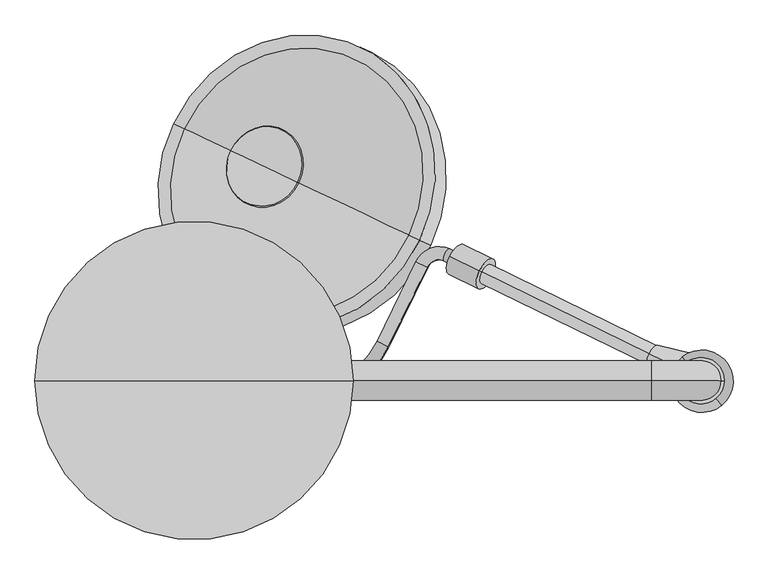
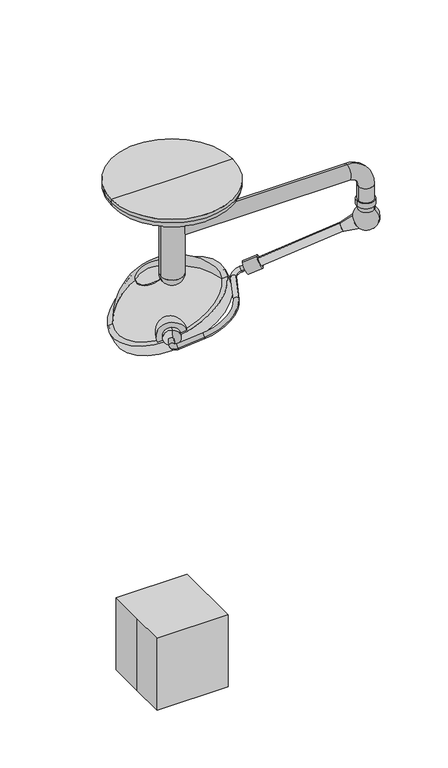
"""IFC4 building model written with IfcOpenShell, lengths in millimetres: proxy geometry."""

from ifc_helpers import new_model, si_unit, point, frame, frame_2d, origin, origin_with_axes, origin_2d, place, context, project, spatial, polyline, circle_curve, ellipse_curve, trimmed, segment, composite_curve, outline, extrude, source, transform, mapped, element, save
from ifc_brep_helpers import plane_surface, cylinder_surface, revolved_surface, advanced_brep


def specialty_equipment_7830e23b(model_context):
    return source(origin(), model_context, "Body", "SolidModel", [
        advanced_brep(
        [(51.3241797, 120.6178384, 1699.7604265), (72.1798458, 110.4458503, 1710.0915373), (30.6483179, 78.2260395, 1699.7604265), (51.503984, 68.0540515, 1710.0915373), (56.3645035, 51.553373, 1715.2570926), (45.2298764, 28.7240043, 1715.2570926), (148.7448243, -21.7636092, 1766.5344952), (159.8794514, 1.0657596, 1766.5344952), (351.8212111, 77.010044, 1828.5211596), (372.6768772, 66.838056, 1838.8522704), (446.9378356, 219.0955842, 1838.8522704), (426.0821694, 229.2675722, 1828.5211596), (490.062756, 254.5823337, 1849.1833811), (478.9281288, 231.7529649, 1849.1833811), (557.8921303, 193.2396481, 1888.2991704), (569.0267574, 216.0690168, 1888.2991704)],
        [
            (0, 1, circle_curve(frame((61.7520127, 115.5318443, 1704.9259819), z_axis=(0.43837114678909284, 0.8987940462991596, 0.0), x_axis=(0.8210892183528105, -0.40047196991075396, 0.40673664307580043)), 12.7)),
            (1, 0, circle_curve(frame((61.7520127, 115.5318443, 1704.9259819), z_axis=(0.43837114678909284, 0.8987940462991596, 0.0), x_axis=(0.8210892183528105, -0.40047196991075396, 0.40673664307580043)), 12.7)),
            (0, 2),
            (2, 3, circle_curve(frame((41.0761509, 73.1400455, 1704.9259819), z_axis=(0.43837114678909284, 0.8987940462991596, 0.0), x_axis=(0.8210892183528105, -0.40047196991075396, 0.40673664307580043)), 12.7)),
            (3, 1),
            (3, 2, circle_curve(frame((41.0761509, 73.1400455, 1704.9259819), z_axis=(0.43837114678909284, 0.8987940462991596, 0.0), x_axis=(0.8210892183528105, -0.40047196991075396, 0.40673664307580043)), 12.7)),
            (4, 3, circle_curve(frame((61.9318171, 62.9680574, 1715.2570926), z_axis=(0.36557247320823616, -0.17830160866628347, -0.9135454576426008), x_axis=(-0.8210892183528103, 0.4004719699107543, -0.40673664307580043)), 12.7)),
            (2, 5, circle_curve(frame((61.9318171, 62.9680574, 1715.2570926), z_axis=(-0.36557247320823616, 0.17830160866628347, 0.9135454576426008), x_axis=(-0.8210892183528103, 0.4004719699107543, -0.40673664307580043)), 38.1)),
            (5, 4, circle_curve(frame((50.79719, 40.1386887, 1715.2570926), z_axis=(-0.8210892183528137, 0.40047196991074746, -0.40673664307580054), x_axis=(0.4383711467890869, 0.8987940462991626, 0.0)), 12.7)),
            (4, 5, circle_curve(frame((50.79719, 40.1386887, 1715.2570926), z_axis=(-0.8210892183528152, 0.40047196991074424, -0.40673664307580054), x_axis=(0.438371146789084, 0.898794046299164, 0.0)), 12.7)),
            (5, 6),
            (6, 7, circle_curve(frame((154.3121378, -10.3489248, 1766.5344952), z_axis=(-0.8210892183528105, 0.40047196991075346, -0.4067366430758006), x_axis=(0.4383711467890924, 0.8987940462991598, 0.0)), 12.7)),
            (7, 4),
            (7, 6, circle_curve(frame((154.3121378, -10.3489248, 1766.5344952), z_axis=(-0.8210892183528105, 0.40047196991075346, -0.4067366430758006), x_axis=(0.4383711467890924, 0.8987940462991598, 0.0)), 12.7)),
            (8, 7, circle_curve(frame((226.6872142, 138.0419722, 1766.5344952), z_axis=(0.36557247320823616, -0.17830160866628347, -0.9135454576426008), x_axis=(-0.43837114678909817, -0.8987940462991569, 0.0)), 152.4)),
            (6, 9, circle_curve(frame((226.6872142, 138.0419722, 1766.5344952), z_axis=(-0.36557247320823616, 0.17830160866628347, 0.9135454576426008), x_axis=(-0.43837114678909817, -0.8987940462991569, 0.0)), 177.8)),
            (9, 8, circle_curve(frame((362.2490441, 71.92405, 1833.686715), z_axis=(-0.43837114678909, -0.8987940462991608, 0.0), x_axis=(-0.8210892183528122, 0.4004719699107512, -0.40673664307580026)), 12.7)),
            (8, 9, circle_curve(frame((362.2490441, 71.92405, 1833.686715), z_axis=(-0.43837114678908945, -0.8987940462991612, 0.0), x_axis=(-0.8210892183528125, 0.40047196991075057, -0.40673664307580026)), 12.7)),
            (9, 10),
            (10, 11, circle_curve(frame((436.5100025, 224.1815782, 1833.686715), z_axis=(-0.43837114678909106, -0.8987940462991605, 0.0), x_axis=(-0.8210892183528116, 0.40047196991075223, -0.40673664307580026)), 12.7)),
            (11, 8),
            (11, 10, circle_curve(frame((436.5100025, 224.1815782, 1833.686715), z_axis=(-0.43837114678909106, -0.8987940462991605, 0.0), x_axis=(-0.8210892183528116, 0.40047196991075223, -0.40673664307580026)), 12.7)),
            (12, 11, circle_curve(frame((467.7935017, 208.9235961, 1849.1833811), z_axis=(-0.36557247320823616, 0.17830160866628347, 0.9135454576426008), x_axis=(-0.8210892183528137, 0.4004719699107476, -0.40673664307580043)), 50.8)),
            (10, 13, circle_curve(frame((467.7935017, 208.9235961, 1849.1833811), z_axis=(0.36557247320823616, -0.17830160866628347, -0.9135454576426008), x_axis=(-0.8210892183528137, 0.4004719699107476, -0.40673664307580043)), 25.4)),
            (13, 12, circle_curve(frame((484.4954424, 243.1676493, 1849.1833811), z_axis=(-0.8210892183528231, 0.40047196991072803, -0.40673664307580065), x_axis=(0.43837114678906913, 0.8987940462991714, 0.0)), 12.7)),
            (12, 13, circle_curve(frame((484.4954424, 243.1676493, 1849.1833811), z_axis=(-0.8210892183528161, 0.4004719699107424, -0.40673664307580065), x_axis=(0.43837114678908223, 0.898794046299165, 0.0)), 12.7)),
            (14, 15, circle_curve(frame((563.4594439, 204.6543325, 1888.2991704), z_axis=(0.8210892183528122, -0.40047196991075074, 0.40673664307580026), x_axis=(0.4383711467890896, 0.898794046299161, 0.0)), 12.7)),
            (15, 14, circle_curve(frame((563.4594439, 204.6543325, 1888.2991704), z_axis=(0.8210892183528122, -0.40047196991075074, 0.40673664307580026), x_axis=(0.4383711467890896, 0.898794046299161, 0.0)), 12.7)),
            (13, 14),
            (15, 12),
        ],
        [
            plane_surface(frame((671.2712366, -181.7505445, 181.7710423), z_axis=(0.438371146789093, 0.8987940462991597, 0.0), x_axis=(-0.36557247320823616, 0.1783016086662836, 0.9135454576426009))),
            cylinder_surface(frame((61.7520127, 115.5318443, 1704.9259819), z_axis=(0.43837114678909284, 0.8987940462991596, 0.0), x_axis=(0.8210892183528105, -0.40047196991075396, 0.40673664307580043)), 12.7),
            revolved_surface(trimmed(ellipse_curve(frame((41.0761509, 73.1400455, 1704.9259819), z_axis=(0.4383711467890927, 0.8987940462991598, 0.0), x_axis=(0.8210892183528106, -0.4004719699107538, 0.40673664307580043)), 12.7, 12.7), [point((30.6483179, 78.2260395, 1699.7604265))], [point((51.503984, 68.0540515, 1710.0915373))], True, "CARTESIAN"), (671.451041, -234.3143314, 192.1021531), (-0.3655724732082362, 0.1783016086662835, 0.913545457642601)),
            revolved_surface(trimmed(ellipse_curve(frame((41.0761509, 73.1400455, 1704.9259819), z_axis=(0.4383711467890927, 0.8987940462991598, 0.0), x_axis=(0.8210892183528106, -0.4004719699107538, 0.40673664307580043)), 12.7, 12.7), [point((51.503984, 68.0540515, 1710.0915373))], [point((30.6483179, 78.2260395, 1699.7604265))], True, "CARTESIAN"), (671.451041, -234.3143314, 192.1021531), (-0.3655724732082362, 0.1783016086662835, 0.913545457642601)),
            cylinder_surface(frame((50.79719, 40.1386887, 1715.2570926), z_axis=(-0.8210892183528107, 0.40047196991075357, -0.4067366430758007), x_axis=(0.4383711467890924, 0.8987940462991598, 0.0)), 12.7),
            revolved_surface(trimmed(ellipse_curve(frame((154.3121378, -10.3489248, 1766.5344952), z_axis=(-0.8210892183528079, 0.4004719699107594, -0.40673664307580076), x_axis=(0.4383711467890976, 0.8987940462991572, 0.0)), 12.7, 12.7), [point((148.7448243, -21.7636092, 1766.5344952))], [point((159.8794514, 1.0657596, 1766.5344952))], True, "CARTESIAN"), (836.2064381, -159.2404166, 243.3795556), (-0.3655724732082362, 0.1783016086662835, 0.913545457642601)),
            revolved_surface(trimmed(ellipse_curve(frame((154.3121378, -10.3489248, 1766.5344952), z_axis=(-0.8210892183528079, 0.4004719699107594, -0.40673664307580076), x_axis=(0.4383711467890976, 0.8987940462991572, 0.0)), 12.7, 12.7), [point((159.8794514, 1.0657596, 1766.5344952))], [point((148.7448243, -21.7636092, 1766.5344952))], True, "CARTESIAN"), (836.2064381, -159.2404166, 243.3795556), (-0.3655724732082362, 0.1783016086662835, 0.913545457642601)),
            cylinder_surface(frame((362.2490441, 71.92405, 1833.686715), z_axis=(-0.43837114678909106, -0.8987940462991605, 0.0), x_axis=(-0.8210892183528116, 0.40047196991075223, -0.40673664307580026)), 12.7),
            revolved_surface(trimmed(ellipse_curve(frame((436.5100025, 224.1815782, 1833.686715), z_axis=(-0.4383711467890867, -0.8987940462991628, 0.0), x_axis=(-0.8210892183528139, 0.40047196991074735, -0.40673664307580015)), 12.7, 12.7), [point((446.9378356, 219.0955842, 1838.8522704))], [point((426.0821694, 229.2675722, 1828.5211596))], True, "CARTESIAN"), (1077.3127256, -88.3587927, 326.0284415), (0.3655724732082362, -0.1783016086662835, -0.913545457642601)),
            revolved_surface(trimmed(ellipse_curve(frame((436.5100025, 224.1815782, 1833.686715), z_axis=(-0.4383711467890867, -0.8987940462991628, 0.0), x_axis=(-0.8210892183528139, 0.40047196991074735, -0.40673664307580015)), 12.7, 12.7), [point((426.0821694, 229.2675722, 1828.5211596))], [point((446.9378356, 219.0955842, 1838.8522704))], True, "CARTESIAN"), (1077.3127256, -88.3587927, 326.0284415), (0.3655724732082362, -0.1783016086662835, -0.913545457642601)),
            plane_surface(frame((1172.9786678, -92.6280564, 365.1442308), z_axis=(0.8210892183528121, -0.40047196991075107, 0.4067366430758), x_axis=(-0.36557247320823577, 0.17830160866628336, 0.9135454576426011))),
            cylinder_surface(frame((484.4954424, 243.1676493, 1849.1833811), z_axis=(-0.821089218352812, 0.4004719699107506, -0.40673664307580015), x_axis=(0.4383711467890896, 0.898794046299161, 0.0)), 12.7),
        ],
        [
            (0, [[1, 2]]),
            (1, [[-1, 3, 4, 5]]),
            (1, [[-2, -5, 6, -3]]),
            (2, [[7, -4, 8, 9]]),
            (3, [[-8, -6, -7, 10]]),
            (4, [[-9, 11, 12, 13]]),
            (4, [[-10, -13, 14, -11]]),
            (5, [[15, -12, 16, 17]]),
            (6, [[-16, -14, -15, 18]]),
            (7, [[-17, 19, 20, 21]]),
            (7, [[-18, -21, 22, -19]]),
            (8, [[23, -20, 24, 25]]),
            (9, [[-24, -22, -23, 26]]),
            (10, [[27, 28]]),
            (11, [[-25, 29, -28, 30]]),
            (11, [[-26, -30, -27, -29]]),
        ],
    ),
        advanced_brep(
        [(70.9853036, 124.77035, 1662.093259), (70.9853036, 124.77035, 1743.3108067), (79.9012214, 143.6005545, 1743.3108067), (79.9012214, 143.6005545, 1662.093259), (59.9841849, 101.536251, 1702.7020328), (79.9012214, 143.6005545, 1702.7020328)],
        [
            (0, 1, circle_curve(frame((70.9853036, 124.77035, 1702.7020328), z_axis=(0.4279431442574093, 0.903805656810734, 0.0), x_axis=(0.0, 0.0, 1.0)), 40.6087738)),
            (1, 2),
            (2, 3, circle_curve(frame((79.9012214, 143.6005545, 1702.7020328), z_axis=(-0.4279431442574093, -0.903805656810734, 0.0), x_axis=(0.0, 0.0, 1.0)), 40.6087738)),
            (3, 0),
            (1, 0, circle_curve(frame((70.9853036, 124.77035, 1702.7020328), z_axis=(0.4279431442574093, 0.903805656810734, 0.0), x_axis=(0.0, 0.0, 1.0)), 40.6087738)),
            (3, 2, circle_curve(frame((79.9012214, 143.6005545, 1702.7020328), z_axis=(-0.4279431442574093, -0.903805656810734, 0.0), x_axis=(0.0, 0.0, 1.0)), 40.6087738)),
            (4, 1, circle_curve(frame((83.4268503, 151.0465982, 1696.4653606), z_axis=(-0.9038056568107339, 0.42794314425740954, 0.0), x_axis=(0.4279431442574097, 0.9038056568107338, 0.0)), 55.1337385)),
            (0, 4, circle_curve(frame((83.4268503, 151.0465982, 1708.9387051), z_axis=(-0.9038056568107343, 0.42794314425740876, 0.0), x_axis=(0.4279431442574089, 0.9038056568107342, 0.0)), 55.1337385)),
            (2, 5),
            (5, 3),
        ],
        [
            cylinder_surface(frame((79.9012214, 143.6005545, 1702.7020328), z_axis=(-0.4279431442574093, -0.903805656810734, 0.0), x_axis=(0.0, 0.0, 1.0)), 40.6087738),
            revolved_surface(trimmed(ellipse_curve(frame((83.4268503, 151.0465982, 1696.4653606), z_axis=(0.9038056568107339, -0.42794314425740954, 0.0), x_axis=(0.4279431442574097, 0.9038056568107338, 0.0)), 55.1337385, 55.1337385), [point((70.9853036, 124.77035, 1743.3108067))], [point((59.9841849, 101.536251, 1702.7020328))], True, "CARTESIAN"), (79.9012214, 143.6005545, 1702.7020328), (-0.4279431442574093, -0.903805656810734, 0.0)),
            revolved_surface(trimmed(ellipse_curve(frame((83.4268503, 151.0465982, 1696.4653606), z_axis=(0.9038056568107339, -0.4279431442574097, 0.0), x_axis=(0.42794314425740987, 0.9038056568107338, 0.0)), 55.1337385, 55.1337385), [point((70.9853036, 124.77035, 1743.3108067))], [point((59.9841849, 101.536251, 1702.7020328))], True, "CARTESIAN"), (79.9012214, 143.6005545, 1702.7020328), (-0.4279431442574093, -0.903805656810734, 0.0)),
            plane_surface(frame((79.9012214, 143.6005545, 1702.7020328), z_axis=(0.42794314425740915, 0.9038056568107341, 0.0), x_axis=(0.0, 0.0, 1.0))),
        ],
        [
            (0, [[1, 2, 3, 4]]),
            (0, [[5, -4, 6, -2]]),
            (1, [[7, -1, 8]]),
            (2, [[-8, -5, -7]]),
            (3, [[-3, 9, 10]]),
            (3, [[-6, -10, -9]]),
        ],
    ),
        advanced_brep(
        [(198.2891405, 382.6305938, 1882.6946884), (70.3964825, 443.1865173, 1819.6927814), (123.8504881, 417.8765681, 1877.268084), (200.9060117, 381.3915308, 1880.0876662), (70.3964825, 443.1865173, 1815.7966478), (129.8474904, 415.0370461, 1862.3650044)],
        [
            (0, 1, circle_curve(frame((134.3428115, 412.9085555, 1851.1937349), z_axis=(-0.367610878844116, 0.17406015792256127, 0.9135454576426013), x_axis=(-0.825667552371134, 0.3909455155656486, -0.4067366430757995)), 77.4480344)),
            (1, 2, circle_curve(frame((222.0261973, 371.3913294, 1706.5205002), z_axis=(0.42794314425740937, 0.903805656810734, 0.0), x_axis=(0.903805656810734, -0.4279431442574095, 0.0)), 202.3711557)),
            (2, 0, circle_curve(frame((172.8421817, 394.67948, 1682.2916913), z_axis=(0.4279431442574066, 0.9038056568107353, 0.0), x_axis=(-0.6047640271723351, 0.28634985560407467, -0.7431448254773929)), 202.3711557)),
            (1, 0, circle_curve(frame((134.3428115, 412.9085555, 1851.1937349), z_axis=(-0.367610878844116, 0.17406015792256127, 0.9135454576426013), x_axis=(-0.825667552371134, 0.3909455155656486, -0.4067366430757995)), 77.4480344)),
            (3, 4, circle_curve(frame((135.6512471, 412.289024, 1847.942157), z_axis=(-0.367610878844116, 0.17406015792256127, 0.9135454576426013), x_axis=(-0.825667552371134, 0.3909455155656486, -0.4067366430757995)), 79.0327347)),
            (4, 1),
            (0, 3),
            (4, 3, circle_curve(frame((135.6512471, 412.289024, 1847.942157), z_axis=(-0.367610878844116, 0.17406015792256127, 0.9135454576426013), x_axis=(-0.825667552371134, 0.3909455155656486, -0.4067366430757995)), 79.0327347)),
            (5, 4, circle_curve(frame((246.9439851, 359.5930004, 1609.6195886), z_axis=(-0.42794314425740937, -0.903805656810734, 0.0), x_axis=(0.903805656810734, -0.4279431442574095, 0.0)), 284.0173877)),
            (3, 5, circle_curve(frame((221.2532479, 371.7573133, 1596.9639329), z_axis=(-0.4279431442574066, -0.9038056568107353, 0.0), x_axis=(-0.6047640271723351, 0.28634985560407467, -0.7431448254773929)), 284.0173877)),
        ],
        [
            revolved_surface(trimmed(ellipse_curve(frame((222.0261973, 371.3913294, 1706.5205002), z_axis=(-0.42794314425740937, -0.903805656810734, 0.0), x_axis=(0.903805656810734, -0.4279431442574095, 0.0)), 202.3711557, 202.3711557), [point((123.8504881, 417.8765681, 1877.268084))], [point((70.3964825, 443.1865173, 1819.6927814))], True, "CARTESIAN"), (169.8512246, 396.095669, 1762.9521965), (0.367610878844116, -0.17406015792256127, -0.9135454576426013)),
            revolved_surface(trimmed(ellipse_curve(frame((222.0261973, 371.3913294, 1706.5205002), z_axis=(-0.42794314425740965, -0.9038056568107342, 0.0), x_axis=(0.903805656810734, -0.4279431442574096, 0.0)), 202.3711557, 202.3711557), [point((123.8504881, 417.8765681, 1877.268084))], [point((70.3964825, 443.1865173, 1819.6927814))], True, "CARTESIAN"), (169.8512246, 396.095669, 1762.9521965), (0.367610878844116, -0.17406015792256127, -0.9135454576426013)),
            revolved_surface(polyline([(70.3964825, 443.1865173, 1819.6927814), (70.3964825, 443.1865173, 1815.7966478)]), (169.8512246, 396.095669, 1762.9521965), (0.367610878844116, -0.17406015792256127, -0.9135454576426013)),
            revolved_surface(trimmed(ellipse_curve(frame((246.9439851, 359.5930004, 1609.6195886), z_axis=(0.42794314425740937, 0.903805656810734, 0.0), x_axis=(0.903805656810734, -0.4279431442574095, 0.0)), 284.0173877, 284.0173877), [point((70.3964825, 443.1865173, 1815.7966478))], [point((129.8474904, 415.0370461, 1862.3650044))], True, "CARTESIAN"), (169.8512246, 396.095669, 1762.9521965), (0.367610878844116, -0.17406015792256127, -0.9135454576426013)),
            revolved_surface(trimmed(ellipse_curve(frame((246.9439851, 359.5930004, 1609.6195886), z_axis=(0.42794314425740965, 0.9038056568107342, 0.0), x_axis=(0.903805656810734, -0.4279431442574096, 0.0)), 284.0173877, 284.0173877), [point((70.3964825, 443.1865173, 1815.7966478))], [point((129.8474904, 415.0370461, 1862.3650044))], True, "CARTESIAN"), (169.8512246, 396.095669, 1762.9521965), (0.367610878844116, -0.17406015792256127, -0.9135454576426013)),
        ],
        [
            (0, [[1, 2, 3]]),
            (1, [[4, -3, -2]]),
            (2, [[5, 6, -1, 7]]),
            (2, [[8, -7, -4, -6]]),
            (3, [[9, -5, 10]]),
            (4, [[-10, -8, -9]]),
        ],
    ),
        advanced_brep(
        [(266.4821549, 350.341868, 1522.8158117), (276.9681328, 345.37686, 1527.9813671), (255.996177, 355.3068761, 1517.6502563), (263.0629437, 351.9608311, 1507.6425198), (278.9613242, 344.4331033, 1515.4743086), (271.0121339, 348.1969672, 1511.5584142)],
        [
            (0, 1),
            (1, 2, circle_curve(frame((266.4821549, 350.341868, 1522.8158117), z_axis=(-0.3676108788441159, 0.1740601579225613, 0.9135454576426013), x_axis=(0.825667552371134, -0.3909455155656486, 0.40673664307579943)), 12.7)),
            (2, 0),
            (2, 1, circle_curve(frame((266.4821549, 350.341868, 1522.8158117), z_axis=(-0.3676108788441159, 0.1740601579225613, 0.9135454576426013), x_axis=(0.825667552371134, -0.3909455155656486, 0.40673664307579943)), 12.7)),
            (3, 4, circle_curve(frame((271.0121339, 348.1969672, 1511.5584142), z_axis=(0.3676108788441159, -0.1740601579225613, -0.9135454576426013), x_axis=(0.825667552371134, -0.3909455155656486, 0.40673664307579943)), 9.6275919)),
            (4, 5),
            (5, 3),
            (4, 3, circle_curve(frame((271.0121339, 348.1969672, 1511.5584142), z_axis=(0.3676108788441159, -0.1740601579225613, -0.9135454576426013), x_axis=(0.825667552371134, -0.3909455155656486, 0.40673664307579943)), 9.6275919)),
            (1, 4),
            (3, 2),
        ],
        [
            plane_surface(frame((266.4821549, 350.341868, 1522.8158117), z_axis=(-0.367610878844116, 0.17406015792256121, 0.9135454576426014), x_axis=(0.8256675523711339, -0.39094551556564855, 0.4067366430757994))),
            plane_surface(frame((271.0121339, 348.1969672, 1511.5584142), z_axis=(0.367610878844116, -0.17406015792256121, -0.9135454576426014), x_axis=(0.8256675523711339, -0.39094551556564855, 0.4067366430757994))),
            revolved_surface(polyline([(278.9613242, 344.4331033, 1515.4743086), (276.9681328, 345.37686, 1527.9813671)]), (229.1328896, 368.0263801, 1615.6320302), (-0.3676108788441159, 0.1740601579225613, 0.9135454576426013)),
        ],
        [
            (0, [[1, 2, 3]]),
            (0, [[-3, 4, -1]]),
            (1, [[5, 6, 7]]),
            (1, [[8, -7, -6]]),
            (2, [[-2, 9, -5, 10]]),
            (2, [[-4, -10, -8, -9]]),
        ],
    ),
        advanced_brep(
        [(229.1328896, 368.0263801, 1615.6320302), (244.8618565, 360.578868, 1623.3803632), (213.4039227, 375.4738921, 1607.8836971), (250.753188, 357.7893801, 1515.0674786), (282.2111217, 342.8943559, 1530.5641447), (266.4821549, 350.341868, 1522.8158117)],
        [
            (0, 1),
            (1, 2, circle_curve(frame((229.1328896, 368.0263801, 1615.6320302), z_axis=(-0.3676108788441159, 0.1740601579225613, 0.9135454576426013), x_axis=(0.825667552371134, -0.3909455155656486, 0.40673664307579943)), 19.05)),
            (2, 0),
            (2, 1, circle_curve(frame((229.1328896, 368.0263801, 1615.6320302), z_axis=(-0.3676108788441159, 0.1740601579225613, 0.9135454576426013), x_axis=(0.825667552371134, -0.3909455155656486, 0.40673664307579943)), 19.05)),
            (3, 4, circle_curve(frame((266.4821549, 350.341868, 1522.8158117), z_axis=(0.3676108788441159, -0.1740601579225613, -0.9135454576426013), x_axis=(0.825667552371134, -0.3909455155656486, 0.40673664307579943)), 19.05)),
            (4, 5),
            (5, 3),
            (4, 3, circle_curve(frame((266.4821549, 350.341868, 1522.8158117), z_axis=(0.3676108788441159, -0.1740601579225613, -0.9135454576426013), x_axis=(0.825667552371134, -0.3909455155656486, 0.40673664307579943)), 19.05)),
            (1, 4),
            (3, 2),
        ],
        [
            plane_surface(frame((229.1328896, 368.0263801, 1615.6320302), z_axis=(-0.367610878844116, 0.17406015792256121, 0.9135454576426014), x_axis=(0.8256675523711339, -0.39094551556564855, 0.4067366430757994))),
            plane_surface(frame((266.4821549, 350.341868, 1522.8158117), z_axis=(0.367610878844116, -0.17406015792256121, -0.9135454576426014), x_axis=(0.8256675523711339, -0.39094551556564855, 0.4067366430757994))),
            cylinder_surface(frame((229.1328896, 368.0263801, 1615.6320302), z_axis=(-0.3676108788441159, 0.1740601579225613, 0.9135454576426013), x_axis=(0.825667552371134, -0.3909455155656486, 0.40673664307579943)), 19.05),
        ],
        [
            (0, [[1, 2, 3]]),
            (0, [[-3, 4, -1]]),
            (1, [[5, 6, 7]]),
            (1, [[8, -7, -6]]),
            (2, [[-2, 9, -5, 10]]),
            (2, [[-4, -10, -8, -9]]),
        ],
    ),
        advanced_brep(
        [(222.1299023, 371.3422261, 1633.0350712), (258.830825, 353.9646979, 1651.1145149), (185.4289796, 388.7197542, 1614.9556274), (192.4319669, 385.4039082, 1597.5525864), (265.8338123, 350.6488519, 1633.711474), (229.1328896, 368.0263801, 1615.6320302)],
        [
            (0, 1),
            (1, 2, circle_curve(frame((222.1299023, 371.3422261, 1633.0350712), z_axis=(-0.36761087884411536, 0.17406015792256102, 0.9135454576426016), x_axis=(0.8256675523711342, -0.3909455155656487, 0.4067366430757988)), 44.45)),
            (2, 0),
            (2, 1, circle_curve(frame((222.1299023, 371.3422261, 1633.0350712), z_axis=(-0.36761087884411536, 0.17406015792256102, 0.9135454576426016), x_axis=(0.8256675523711342, -0.3909455155656487, 0.4067366430757988)), 44.45)),
            (3, 4, circle_curve(frame((229.1328896, 368.0263801, 1615.6320302), z_axis=(0.36761087884411536, -0.17406015792256102, -0.9135454576426016), x_axis=(0.8256675523711342, -0.3909455155656487, 0.4067366430757988)), 44.45)),
            (4, 5),
            (5, 3),
            (4, 3, circle_curve(frame((229.1328896, 368.0263801, 1615.6320302), z_axis=(0.36761087884411536, -0.17406015792256102, -0.9135454576426016), x_axis=(0.8256675523711342, -0.3909455155656487, 0.4067366430757988)), 44.45)),
            (1, 4),
            (3, 2),
        ],
        [
            plane_surface(frame((222.1299023, 371.3422261, 1633.0350712), z_axis=(-0.3676108788441154, 0.17406015792256094, 0.9135454576426016), x_axis=(0.8256675523711341, -0.39094551556564866, 0.40673664307579876))),
            plane_surface(frame((229.1328896, 368.0263801, 1615.6320302), z_axis=(0.3676108788441154, -0.17406015792256094, -0.9135454576426016), x_axis=(0.8256675523711341, -0.39094551556564866, 0.40673664307579876))),
            cylinder_surface(frame((222.1299023, 371.3422261, 1633.0350712), z_axis=(-0.36761087884411536, 0.17406015792256102, 0.9135454576426016), x_axis=(0.8256675523711342, -0.3909455155656487, 0.4067366430757988)), 44.45),
        ],
        [
            (0, [[1, 2, 3]]),
            (0, [[-3, 4, -1]]),
            (1, [[5, 6, 7]]),
            (1, [[8, -7, -6]]),
            (2, [[-2, 9, -5, 10]]),
            (2, [[-4, -10, -8, -9]]),
        ],
    ),
        advanced_brep(
        [(217.8648709, 373.3616768, 1643.6340505), (265.0517715, 351.0191406, 1666.8790497), (170.6779703, 395.704213, 1620.3890514), (179.2080332, 391.6653116, 1611.8910927), (265.0517715, 351.0191406, 1654.1790497), (222.1299023, 371.3422261, 1633.0350712)],
        [
            (0, 1),
            (1, 2, circle_curve(frame((217.8648709, 373.3616768, 1643.6340505), z_axis=(-0.36761087884411614, 0.1740601579225614, 0.9135454576426012), x_axis=(0.8256675523711339, -0.39094551556564855, 0.4067366430757997)), 57.15)),
            (2, 0),
            (2, 1, circle_curve(frame((217.8648709, 373.3616768, 1643.6340505), z_axis=(-0.36761087884411614, 0.1740601579225614, 0.9135454576426012), x_axis=(0.8256675523711339, -0.39094551556564855, 0.4067366430757997)), 57.15)),
            (3, 4, circle_curve(frame((222.1299023, 371.3422261, 1633.0350712), z_axis=(0.36761087884411614, -0.1740601579225614, -0.9135454576426012), x_axis=(0.8256675523711339, -0.39094551556564855, 0.4067366430757997)), 51.9844446)),
            (4, 5),
            (5, 3),
            (4, 3, circle_curve(frame((222.1299023, 371.3422261, 1633.0350712), z_axis=(0.36761087884411614, -0.1740601579225614, -0.9135454576426012), x_axis=(0.8256675523711339, -0.39094551556564855, 0.4067366430757997)), 51.9844446)),
            (1, 4),
            (3, 2),
        ],
        [
            plane_surface(frame((217.8648709, 373.3616768, 1643.6340505), z_axis=(-0.36761087884411625, 0.17406015792256133, 0.9135454576426013), x_axis=(0.8256675523711338, -0.3909455155656485, 0.40673664307579965))),
            plane_surface(frame((222.1299023, 371.3422261, 1633.0350712), z_axis=(0.36761087884411625, -0.17406015792256133, -0.9135454576426013), x_axis=(0.8256675523711338, -0.3909455155656485, 0.40673664307579965))),
            revolved_surface(polyline([(265.0517715, 351.0191406, 1654.1790497), (265.0517715, 351.0191406, 1666.8790497)]), (217.8648709, 373.3616768, 1643.6340505), (-0.36761087884411614, 0.1740601579225614, 0.9135454576426012)),
        ],
        [
            (0, [[1, 2, 3]]),
            (0, [[-3, 4, -1]]),
            (1, [[5, 6, 7]]),
            (1, [[8, -7, -6]]),
            (2, [[-2, 9, -5, 10]]),
            (2, [[-4, -10, -8, -9]]),
        ],
    ),
        extrude(outline(composite_curve([segment(trimmed(circle_curve(frame_2d((0.0, -69.9387006)), 69.9387006), [point((25.1937137, -4.6953207))], [point((-31.6273953, -132.3176211))], False, "CARTESIAN"), True, "CONTINUOUS"), segment(polyline([(-31.6273953, -132.3176211), (25.1937137, -4.6953207)]), True, "CONTINUOUS")], self_intersect=False)), frame((144.6400085, 112.9473716, 1699.0600142), z_axis=(0.42794314425740915, 0.9038056568107341, 0.0), x_axis=(0.0, 0.0, 1.0)), (0.0, 0.0, 1.0), 84.2600986),
        advanced_brep(
        [(411.8184564, 281.5265498, 1801.7370584), (-18.1066381, 485.0918798, 1589.9492884), (129.8408016, 415.0402132, 1862.3816266), (406.0906916, 284.2385905, 1798.9154726), (-12.3788733, 482.3798391, 1592.7708742), (132.17953, 413.9328482, 1856.5696802)],
        [
            (0, 1, circle_curve(frame((196.8559092, 383.3092148, 1695.8431734), z_axis=(-0.3676108788441161, 0.17406015792256135, 0.9135454576426013), x_axis=(-0.825667552371134, 0.3909455155656486, -0.4067366430757996)), 260.35)),
            (1, 2, circle_curve(frame((256.5953432, 355.0231767, 1592.718951), z_axis=(0.4279431442574095, 0.903805656810734, 0.0), x_axis=(0.9038056568107341, -0.4279431442574096, 0.0)), 303.9518334)),
            (2, 0, circle_curve(frame((226.1466857, 369.4403184, 1577.7194701), z_axis=(0.4279431442574066, 0.9038056568107353, 0.0), x_axis=(-0.6047640271723351, 0.2863498556040747, -0.7431448254773931)), 303.9518334)),
            (1, 0, circle_curve(frame((196.8559092, 383.3092148, 1695.8431734), z_axis=(-0.3676108788441161, 0.17406015792256135, 0.9135454576426013), x_axis=(-0.825667552371134, 0.3909455155656486, -0.4067366430757996)), 260.35)),
            (3, 4, circle_curve(frame((196.8559092, 383.3092148, 1695.8431734), z_axis=(-0.3676108788441161, 0.17406015792256135, 0.9135454576426013), x_axis=(-0.825667552371134, 0.3909455155656486, -0.4067366430757996)), 253.412868)),
            (4, 1),
            (0, 3),
            (4, 3, circle_curve(frame((196.8559092, 383.3092148, 1695.8431734), z_axis=(-0.3676108788441161, 0.17406015792256135, 0.9135454576426013), x_axis=(-0.825667552371134, 0.3909455155656486, -0.4067366430757996)), 253.412868)),
            (5, 4, circle_curve(frame((256.5953432, 355.0231767, 1592.718951), z_axis=(-0.4279431442574095, -0.903805656810734, 0.0), x_axis=(0.9038056568107341, -0.4279431442574096, 0.0)), 297.6018334)),
            (3, 5, circle_curve(frame((226.1466857, 369.4403184, 1577.7194701), z_axis=(-0.4279431442574066, -0.9038056568107353, 0.0), x_axis=(-0.6047640271723351, 0.2863498556040747, -0.7431448254773931)), 297.6018334)),
        ],
        [
            revolved_surface(trimmed(ellipse_curve(frame((256.5953432, 355.0231767, 1592.718951), z_axis=(-0.4279431442574095, -0.903805656810734, 0.0), x_axis=(0.9038056568107341, -0.4279431442574096, 0.0)), 303.9518334, 303.9518334), [point((129.8408016, 415.0402132, 1862.3816266))], [point((-18.1066381, 485.0918798, 1589.9492884))], True, "CARTESIAN"), (196.8559092, 383.3092148, 1695.8431734), (0.3676108788441161, -0.17406015792256135, -0.9135454576426013)),
            revolved_surface(trimmed(ellipse_curve(frame((256.5953432, 355.0231767, 1592.718951), z_axis=(-0.4279431442574094, -0.9038056568107338, 0.0), x_axis=(0.9038056568107341, -0.42794314425740954, 0.0)), 303.9518334, 303.9518334), [point((129.8408016, 415.0402132, 1862.3816266))], [point((-18.1066381, 485.0918798, 1589.9492884))], True, "CARTESIAN"), (196.8559092, 383.3092148, 1695.8431734), (0.3676108788441161, -0.17406015792256135, -0.9135454576426013)),
            plane_surface(frame((196.8559092, 383.3092148, 1695.8431734), z_axis=(0.36761087884411614, -0.17406015792256127, -0.9135454576426014), x_axis=(-0.8256675523711339, 0.39094551556564855, -0.40673664307579954))),
            revolved_surface(trimmed(ellipse_curve(frame((256.5953432, 355.0231767, 1592.718951), z_axis=(0.4279431442574095, 0.903805656810734, 0.0), x_axis=(0.9038056568107341, -0.4279431442574096, 0.0)), 297.6018334, 297.6018334), [point((-12.3788733, 482.3798391, 1592.7708742))], [point((132.17953, 413.9328482, 1856.5696802))], True, "CARTESIAN"), (196.8559092, 383.3092148, 1695.8431734), (0.3676108788441161, -0.17406015792256135, -0.9135454576426013)),
            revolved_surface(trimmed(ellipse_curve(frame((256.5953432, 355.0231767, 1592.718951), z_axis=(0.4279431442574094, 0.9038056568107338, 0.0), x_axis=(0.9038056568107341, -0.42794314425740954, 0.0)), 297.6018334, 297.6018334), [point((-12.3788733, 482.3798391, 1592.7708742))], [point((132.17953, 413.9328482, 1856.5696802))], True, "CARTESIAN"), (196.8559092, 383.3092148, 1695.8431734), (0.3676108788441161, -0.17406015792256135, -0.9135454576426013)),
        ],
        [
            (0, [[1, 2, 3]]),
            (1, [[4, -3, -2]]),
            (2, [[5, 6, -1, 7]]),
            (2, [[8, -7, -4, -6]]),
            (3, [[9, -5, 10]]),
            (4, [[-10, -8, -9]]),
        ],
    ),
        advanced_brep(
        [(453.799374, 261.6489957, 1759.8590463), (-18.0696322, 485.0743578, 1527.4090547), (-39.0785939, 495.0218959, 1579.6181777), (432.7904123, 271.5965337, 1812.0681692), (448.556385, 264.1314997, 1757.2762686), (-12.8266432, 482.5918538, 1529.9918324), (429.8817524, 272.9737557, 1803.6843778), (-31.5012759, 491.4341098, 1576.3999417), (199.1902382, 382.2039328, 1690.0421598), (196.8559092, 383.3092148, 1695.8431734)],
        [
            (0, 1, circle_curve(frame((217.8648709, 373.3616768, 1643.6340505), z_axis=(-0.3676108788441158, 0.1740601579225612, 0.9135454576426014), x_axis=(-0.8256675523711341, 0.39094551556564866, -0.4067366430757993)), 285.75)),
            (1, 2),
            (2, 3, circle_curve(frame((196.8559092, 383.3092148, 1695.8431734), z_axis=(0.3676108788441158, -0.1740601579225612, -0.9135454576426014), x_axis=(-0.8256675523711341, 0.39094551556564866, -0.4067366430757993)), 285.75)),
            (3, 0),
            (1, 0, circle_curve(frame((217.8648709, 373.3616768, 1643.6340505), z_axis=(-0.3676108788441158, 0.1740601579225612, 0.9135454576426014), x_axis=(-0.8256675523711341, 0.39094551556564866, -0.4067366430757993)), 285.75)),
            (3, 2, circle_curve(frame((196.8559092, 383.3092148, 1695.8431734), z_axis=(0.3676108788441158, -0.1740601579225612, -0.9135454576426014), x_axis=(-0.8256675523711341, 0.39094551556564866, -0.4067366430757993)), 285.75)),
            (4, 5, circle_curve(frame((217.8648709, 373.3616768, 1643.6340505), z_axis=(-0.3676108788441158, 0.1740601579225612, 0.9135454576426014), x_axis=(-0.8256675523711341, 0.39094551556564866, -0.4067366430757993)), 279.4)),
            (5, 1),
            (0, 4),
            (5, 4, circle_curve(frame((217.8648709, 373.3616768, 1643.6340505), z_axis=(-0.3676108788441158, 0.1740601579225612, 0.9135454576426014), x_axis=(-0.8256675523711341, 0.39094551556564866, -0.4067366430757993)), 279.4)),
            (6, 7, circle_curve(frame((199.1902382, 382.2039328, 1690.0421598), z_axis=(-0.3676108788441158, 0.1740601579225612, 0.9135454576426014), x_axis=(-0.8256675523711341, 0.39094551556564866, -0.4067366430757993)), 279.4)),
            (7, 5),
            (4, 6),
            (7, 6, circle_curve(frame((199.1902382, 382.2039328, 1690.0421598), z_axis=(-0.3676108788441158, 0.1740601579225612, 0.9135454576426014), x_axis=(-0.8256675523711341, 0.39094551556564866, -0.4067366430757993)), 279.4)),
            (8, 7),
            (6, 8),
            (2, 9),
            (9, 3),
        ],
        [
            cylinder_surface(frame((217.8648709, 373.3616768, 1643.6340505), z_axis=(0.3676108788441158, -0.1740601579225612, -0.9135454576426014), x_axis=(-0.8256675523711341, 0.39094551556564866, -0.4067366430757993)), 285.75),
            plane_surface(frame((217.8648709, 373.3616768, 1643.6340505), z_axis=(0.3676108788441158, -0.17406015792256113, -0.9135454576426014), x_axis=(-0.8256675523711339, 0.39094551556564855, -0.4067366430757992))),
            revolved_surface(polyline([(-12.826643216696855, 482.591853841562, 1529.9918323853622), (-31.501275901114134, 491.4341098825587, 1576.3999417308632)]), (217.8648709, 373.3616768, 1643.6340505), (0.3676108788441158, -0.1740601579225612, -0.9135454576426014)),
            plane_surface(frame((199.1902382, 382.2039328, 1690.0421598), z_axis=(0.3676108788441158, -0.17406015792256113, -0.9135454576426014), x_axis=(-0.8256675523711339, 0.39094551556564855, -0.4067366430757992))),
            plane_surface(frame((196.8559092, 383.3092148, 1695.8431734), z_axis=(-0.3676108788441158, 0.17406015792256113, 0.9135454576426014), x_axis=(-0.8256675523711339, 0.39094551556564855, -0.4067366430757992))),
        ],
        [
            (0, [[1, 2, 3, 4]]),
            (0, [[5, -4, 6, -2]]),
            (1, [[7, 8, -1, 9]]),
            (1, [[10, -9, -5, -8]]),
            (2, [[11, 12, -7, 13]]),
            (2, [[14, -13, -10, -12]]),
            (3, [[15, -11, 16]]),
            (3, [[-16, -14, -15]]),
            (4, [[-3, 17, 18]]),
            (4, [[-6, -18, -17]]),
        ],
    ),
        advanced_brep(
        [(571.2157425, 200.8713329, 1857.3919398), (547.0954721, 212.6355748, 1914.9424843), (559.1556073, 206.7534538, 1886.167212), (514.3170471, 228.6226809, 1827.8720542), (490.1967767, 240.3869228, 1885.4225987), (502.2569119, 234.5048018, 1856.6473264)],
        [
            (0, 1, circle_curve(frame((559.1556073, 206.7534538, 1886.167212), z_axis=(0.8145840431031092, -0.39729918394713865, 0.42261826174069883), x_axis=(-0.3798467775098406, 0.18526365205328194, 0.9063077870366504)), 31.75)),
            (1, 2),
            (2, 0),
            (1, 0, circle_curve(frame((559.1556073, 206.7534538, 1886.167212), z_axis=(0.8145840431031092, -0.39729918394713865, 0.42261826174069883), x_axis=(-0.3798467775098406, 0.18526365205328194, 0.9063077870366504)), 31.75)),
            (3, 4, circle_curve(frame((502.2569119, 234.5048018, 1856.6473264), z_axis=(0.8145840431031092, -0.39729918394713865, 0.42261826174069883), x_axis=(-0.3798467775098406, 0.18526365205328194, 0.9063077870366504)), 31.75)),
            (4, 1),
            (0, 3),
            (4, 3, circle_curve(frame((502.2569119, 234.5048018, 1856.6473264), z_axis=(0.8145840431031092, -0.39729918394713865, 0.42261826174069883), x_axis=(-0.3798467775098406, 0.18526365205328194, 0.9063077870366504)), 31.75)),
            (5, 4),
            (3, 5),
        ],
        [
            plane_surface(frame((559.1556073, 206.7534538, 1886.167212), z_axis=(0.8145840431031093, -0.39729918394713865, 0.42261826174069883), x_axis=(-0.3798467775098406, 0.18526365205328194, 0.9063077870366504))),
            cylinder_surface(frame((559.1556073, 206.7534538, 1886.167212), z_axis=(-0.8145840431031092, 0.39729918394713865, -0.42261826174069883), x_axis=(-0.3798467775098406, 0.18526365205328194, 0.9063077870366504)), 31.75),
            plane_surface(frame((502.2569119, 234.5048018, 1856.6473264), z_axis=(-0.8145840431031093, 0.39729918394713865, -0.42261826174069883), x_axis=(-0.3798467775098406, 0.18526365205328194, 0.9063077870366504))),
        ],
        [
            (0, [[1, 2, 3]]),
            (0, [[4, -3, -2]]),
            (1, [[5, 6, -1, 7]]),
            (1, [[8, -7, -4, -6]]),
            (2, [[9, -5, 10]]),
            (2, [[-10, -8, -9]]),
        ],
    ),
        extrude(outline(composite_curve([segment(trimmed(circle_curve(origin_2d(), 20.2288163), [point((0.0, -20.2288164))], [point((0.0, 20.2288163))], False, "CARTESIAN"), True, "CONTINUOUS"), segment(trimmed(circle_curve(origin_2d(), 20.2288163), [point((0.0, 20.2288163))], [point((0.0, -20.2288164))], False, "CARTESIAN"), True, "CONTINUOUS")], self_intersect=False)), frame((559.1556073, 206.7534538, 1886.167212), z_axis=(0.8145840431031093, -0.3972991839471386, 0.4226182617406987), x_axis=(-0.43837114678908984, -0.8987940462991609, 0.0)), (0.0, 0.0, 1.0), 393.7),
        advanced_brep(
        [(940.9549717, 20.5374615, 2081.4066897), (953.8120625, 14.2666393, 2047.7066358), (928.0978809, 26.8082837, 2115.1067436), (872.3231351, 54.0114448, 2072.3001347), (887.391555, 46.6620854, 2032.8039086), (879.8573451, 50.3367651, 2052.5520217)],
        [
            (0, 1),
            (1, 2, circle_curve(frame((940.9549717, 20.5374615, 2081.4066897), z_axis=(0.827344281872535, -0.4035227682328693, 0.3907311284892741), x_axis=(0.35118681198991203, -0.17128525288203836, -0.9205048534524403)), 36.6104033)),
            (2, 0),
            (2, 1, circle_curve(frame((940.9549717, 20.5374615, 2081.4066897), z_axis=(0.827344281872535, -0.4035227682328693, 0.3907311284892741), x_axis=(0.35118681198991203, -0.17128525288203836, -0.9205048534524403)), 36.6104033)),
            (3, 4, circle_curve(frame((879.8573451, 50.3367651, 2052.5520217), z_axis=(-0.827344281872535, 0.4035227682328693, -0.3907311284892741), x_axis=(0.35118681198991203, -0.17128525288203836, -0.9205048534524403)), 21.4535676)),
            (4, 5),
            (5, 3),
            (4, 3, circle_curve(frame((879.8573451, 50.3367651, 2052.5520217), z_axis=(-0.827344281872535, 0.4035227682328693, -0.3907311284892741), x_axis=(0.35118681198991203, -0.17128525288203836, -0.9205048534524403)), 21.4535676)),
            (1, 4),
            (3, 2),
        ],
        [
            plane_surface(frame((940.9549717, 20.5374615, 2081.4066897), z_axis=(0.827344281872535, -0.4035227682328693, 0.39073112848927416), x_axis=(0.35118681198991203, -0.17128525288203836, -0.9205048534524403))),
            plane_surface(frame((879.8573451, 50.3367651, 2052.5520217), z_axis=(-0.827344281872535, 0.4035227682328693, -0.39073112848927416), x_axis=(0.35118681198991203, -0.17128525288203836, -0.9205048534524403))),
            revolved_surface(polyline([(887.391555, 46.6620854, 2032.8039086), (953.8120625, 14.2666393, 2047.7066358)]), (921.8864346, 29.8378085, 2072.401163), (0.827344281872535, -0.4035227682328693, 0.3907311284892741)),
        ],
        [
            (0, [[1, 2, 3]]),
            (0, [[-3, 4, -1]]),
            (1, [[5, 6, 7]]),
            (1, [[8, -7, -6]]),
            (2, [[-2, 9, -5, 10]]),
            (2, [[-4, -10, -8, -9]]),
        ],
    ),
        advanced_brep(
        [(973.5341458, 1.0695301, 2175.962195), (949.5570389, 30.6787912, 2175.962195), (997.5112527, -28.539731, 2175.962195), (997.5112527, -28.539731, 2150.1869575), (949.5570389, 30.6787912, 2150.1869575), (973.5341458, 1.0695301, 2044.1286543)],
        [
            (0, 1),
            (1, 2, circle_curve(frame((973.5341458, 1.0695301, 2175.962195), z_axis=(0.0, 0.0, 1.0), x_axis=(-0.6293203910498301, 0.777145961456977, 0.0)), 38.1)),
            (2, 0),
            (2, 1, circle_curve(frame((973.5341458, 1.0695301, 2175.962195), z_axis=(0.0, 0.0, 1.0), x_axis=(-0.6293203910498301, 0.777145961456977, 0.0)), 38.1)),
            (3, 4, circle_curve(frame((973.5341458, 1.0695301, 2150.1869575), z_axis=(0.0, 0.0, -1.0), x_axis=(-0.6293203910498301, 0.777145961456977, 0.0)), 38.1)),
            (4, 5, circle_curve(frame((973.5341458, 1.0695301, 2104.0012588), z_axis=(-0.7771459614569771, -0.62932039104983, 0.0), x_axis=(-0.62932039104983, 0.7771459614569771, 0.0)), 59.8726045)),
            (5, 3, circle_curve(frame((973.5341458, 1.0695301, 2104.0012588), z_axis=(-0.7771459614569791, -0.6293203910498274, 0.0), x_axis=(0.6293203910498274, -0.7771459614569791, 0.0)), 59.8726045)),
            (4, 3, circle_curve(frame((973.5341458, 1.0695301, 2150.1869575), z_axis=(0.0, 0.0, -1.0), x_axis=(-0.6293203910498301, 0.777145961456977, 0.0)), 38.1)),
            (1, 4),
            (3, 2),
        ],
        [
            plane_surface(frame((973.5341458, 1.0695301, 2175.962195), z_axis=(0.0, 0.0, 1.0000000000000002), x_axis=(-0.6293203910498301, 0.777145961456977, 0.0))),
            revolved_surface(trimmed(ellipse_curve(frame((973.5341458, 1.0695301, 2104.0012588), z_axis=(0.7771459614569771, 0.62932039104983, 0.0), x_axis=(-0.62932039104983, 0.7771459614569771, 0.0)), 59.8726045, 59.8726045), [point((973.5341458, 1.0695301, 2044.1286543))], [point((949.5570389, 30.6787912, 2150.1869575))], True, "CARTESIAN"), (973.5341458, 1.0695301, 2175.962195), (0.0, 0.0, 1.0)),
            cylinder_surface(frame((973.5341458, 1.0695301, 2175.962195), z_axis=(0.0, 0.0, 1.0), x_axis=(-0.6293203910498301, 0.777145961456977, 0.0)), 38.1),
        ],
        [
            (0, [[1, 2, 3]]),
            (0, [[-3, 4, -1]]),
            (1, [[5, 6, 7]]),
            (1, [[8, -7, -6]]),
            (2, [[-2, 9, -5, 10]]),
            (2, [[-4, -10, -8, -9]]),
        ],
    ),
        advanced_brep(
        [(927.1, 2.291789, 2175.962195), (1016.0, 2.291789, 2175.962195), (971.55, 2.291789, 2175.962195), (927.1, 2.291789, 2201.362195), (1016.0, 2.291789, 2201.362195), (971.55, 2.291789, 2201.362195)],
        [
            (0, 1, circle_curve(frame((971.55, 2.291789, 2175.962195), z_axis=(0.0, 0.0, -1.0), x_axis=(1.0, 0.0, 0.0)), 44.45)),
            (1, 2),
            (2, 0),
            (1, 0, circle_curve(frame((971.55, 2.291789, 2175.962195), z_axis=(0.0, 0.0, -1.0), x_axis=(1.0, 0.0, 0.0)), 44.45)),
            (3, 4, circle_curve(frame((971.55, 2.291789, 2201.362195), z_axis=(0.0, 0.0, -1.0), x_axis=(1.0, 0.0, 0.0)), 44.45)),
            (4, 1),
            (0, 3),
            (4, 3, circle_curve(frame((971.55, 2.291789, 2201.362195), z_axis=(0.0, 0.0, -1.0), x_axis=(1.0, 0.0, 0.0)), 44.45)),
            (5, 4),
            (3, 5),
        ],
        [
            plane_surface(frame((971.55, 2.291789, 2175.962195), z_axis=(0.0, 0.0, -1.0), x_axis=(1.0, 0.0, 0.0))),
            cylinder_surface(frame((971.55, 2.291789, 2201.362195), z_axis=(0.0, 0.0, 1.0), x_axis=(1.0, 0.0, 0.0)), 44.45),
            plane_surface(frame((971.55, 2.291789, 2201.362195), z_axis=(0.0, 0.0, 1.0), x_axis=(1.0, 0.0, 0.0))),
        ],
        [
            (0, [[1, 2, 3]]),
            (0, [[4, -3, -2]]),
            (1, [[5, 6, -1, 7]]),
            (1, [[8, -7, -4, -6]]),
            (2, [[9, -5, 10]]),
            (2, [[-10, -8, -9]]),
        ],
    ),
        advanced_brep(
        [(14.4818275, 2.291789, 2334.712195), (14.4818275, 2.291789, 2410.912195), (876.3, 2.291789, 2334.712195), (876.3, 2.291789, 2410.912195), (1009.65, 2.291789, 2277.562195), (933.45, 2.291789, 2277.562195), (933.45, 2.291789, 2201.362195), (1009.65, 2.291789, 2201.362195)],
        [
            (0, 1, circle_curve(frame((14.4818275, 2.291789, 2372.812195), z_axis=(-1.0, 0.0, 0.0), x_axis=(0.0, 0.0, 1.0)), 38.1)),
            (1, 0, circle_curve(frame((14.4818275, 2.291789, 2372.812195), z_axis=(-1.0, 0.0, 0.0), x_axis=(0.0, 0.0, 1.0)), 38.1)),
            (0, 2),
            (2, 3, circle_curve(frame((876.3, 2.291789, 2372.812195), z_axis=(-1.0, 0.0, 0.0), x_axis=(0.0, 0.0, 1.0)), 38.1)),
            (3, 1),
            (3, 2, circle_curve(frame((876.3, 2.291789, 2372.812195), z_axis=(-1.0, 0.0, 0.0), x_axis=(0.0, 0.0, 1.0)), 38.1)),
            (4, 3, circle_curve(frame((876.3, 2.291789, 2277.562195), z_axis=(0.0, -1.0, 0.0), x_axis=(0.0, 0.0, 1.0)), 133.35)),
            (2, 5, circle_curve(frame((876.3, 2.291789, 2277.562195), z_axis=(0.0, 1.0, 0.0), x_axis=(0.0, 0.0, 1.0)), 57.15)),
            (5, 4, circle_curve(frame((971.55, 2.291789, 2277.562195), z_axis=(0.0, 0.0, 1.0), x_axis=(1.0, 0.0, 0.0)), 38.1)),
            (4, 5, circle_curve(frame((971.55, 2.291789, 2277.562195), z_axis=(0.0, 0.0, 1.0), x_axis=(1.0, 0.0, 0.0)), 38.1)),
            (6, 7, circle_curve(frame((971.55, 2.291789, 2201.362195), z_axis=(0.0, 0.0, -1.0), x_axis=(1.0, 0.0, 0.0)), 38.1)),
            (7, 6, circle_curve(frame((971.55, 2.291789, 2201.362195), z_axis=(0.0, 0.0, -1.0), x_axis=(1.0, 0.0, 0.0)), 38.1)),
            (5, 6),
            (7, 4),
        ],
        [
            plane_surface(frame((14.4818275, 2.291789, 2372.812195), z_axis=(-1.0, 0.0, 0.0), x_axis=(0.0, -1.0, 0.0))),
            cylinder_surface(frame((14.4818275, 2.291789, 2372.812195), z_axis=(-1.0, 0.0, 0.0), x_axis=(0.0, 0.0, 1.0)), 38.1),
            revolved_surface(trimmed(ellipse_curve(frame((876.3, 2.291789, 2372.812195), z_axis=(-1.0, 0.0, 0.0), x_axis=(0.0, 0.0, 1.0)), 38.1, 38.1), [point((876.3, 2.291789, 2334.712195))], [point((876.3, 2.291789, 2410.912195))], True, "CARTESIAN"), (876.3, 2.291789, 2277.562195), (0.0, 1.0, 0.0)),
            revolved_surface(trimmed(ellipse_curve(frame((876.3, 2.291789, 2372.812195), z_axis=(-1.0, 0.0, 0.0), x_axis=(0.0, 0.0, 1.0)), 38.1, 38.1), [point((876.3, 2.291789, 2410.912195))], [point((876.3, 2.291789, 2334.712195))], True, "CARTESIAN"), (876.3, 2.291789, 2277.562195), (0.0, 1.0, 0.0)),
            plane_surface(frame((971.55, 2.291789, 2201.362195), z_axis=(0.0, 0.0, -1.0), x_axis=(0.0, -1.0, 0.0))),
            cylinder_surface(frame((971.55, 2.291789, 2277.562195), z_axis=(0.0, 0.0, 1.0), x_axis=(1.0, 0.0, 0.0)), 38.1),
        ],
        [
            (0, [[1, 2]]),
            (1, [[-1, 3, 4, 5]]),
            (1, [[-2, -5, 6, -3]]),
            (2, [[7, -4, 8, 9]]),
            (3, [[-8, -6, -7, 10]]),
            (4, [[11, 12]]),
            (5, [[-9, 13, -12, 14]]),
            (5, [[-10, -14, -11, -13]]),
        ],
    ),
        advanced_brep(
        [(0.0941565, 2.291789, 2599.2770044), (57.2441565, 2.291789, 2599.2770044), (-57.0558435, 2.291789, 2599.2770044), (-6.2558435, 2.291789, 2095.4921178), (6.4441565, 2.291789, 2095.4921178), (0.0941565, 2.291789, 2095.4921178), (-57.0558435, 2.291789, 2146.2921178), (57.2441565, 2.291789, 2146.2921178)],
        [
            (0, 1),
            (1, 2, circle_curve(frame((0.0941565, 2.291789, 2599.2770044), z_axis=(0.0, 0.0, 1.0), x_axis=(1.0, 0.0, 0.0)), 57.15)),
            (2, 0),
            (2, 1, circle_curve(frame((0.0941565, 2.291789, 2599.2770044), z_axis=(0.0, 0.0, 1.0), x_axis=(1.0, 0.0, 0.0)), 57.15)),
            (3, 4, circle_curve(frame((0.0941565, 2.291789, 2095.4921178), z_axis=(0.0, 0.0, -1.0), x_axis=(1.0, 0.0, 0.0)), 6.35)),
            (4, 5),
            (5, 3),
            (4, 3, circle_curve(frame((0.0941565, 2.291789, 2095.4921178), z_axis=(0.0, 0.0, -1.0), x_axis=(1.0, 0.0, 0.0)), 6.35)),
            (6, 7, circle_curve(frame((0.0941565, 2.291789, 2146.2921178), z_axis=(0.0, 0.0, -1.0), x_axis=(1.0, 0.0, 0.0)), 57.15)),
            (7, 4, circle_curve(frame((6.4441565, 2.291789, 2146.2921178), z_axis=(0.0, 1.0, 0.0), x_axis=(1.0, 0.0, 0.0)), 50.8)),
            (3, 6, circle_curve(frame((-6.2558435, 2.291789, 2146.2921178), z_axis=(0.0, 1.0, 0.0), x_axis=(-1.0, 0.0, 0.0)), 50.8)),
            (7, 6, circle_curve(frame((0.0941565, 2.291789, 2146.2921178), z_axis=(0.0, 0.0, -1.0), x_axis=(1.0, 0.0, 0.0)), 57.15)),
            (1, 7),
            (6, 2),
        ],
        [
            plane_surface(frame((0.0941565, 2.291789, 2599.2770044), z_axis=(0.0, 0.0, 1.0), x_axis=(1.0, 0.0, 0.0))),
            plane_surface(frame((0.0941565, 2.291789, 2095.4921178), z_axis=(0.0, 0.0, -1.0), x_axis=(1.0, 0.0, 0.0))),
            revolved_surface(trimmed(ellipse_curve(frame((6.4441565, 2.291789, 2146.2921178), z_axis=(0.0, -1.0, 0.0), x_axis=(1.0, 0.0, 0.0)), 50.8, 50.8), [point((6.4441565, 2.291789, 2095.4921178))], [point((57.2441565, 2.291789, 2146.2921178))], True, "CARTESIAN"), (0.0941565, 2.291789, 2565.3921178), (0.0, 0.0, 1.0)),
            cylinder_surface(frame((0.0941565, 2.291789, 2565.3921178), z_axis=(0.0, 0.0, 1.0), x_axis=(1.0, 0.0, 0.0)), 57.15),
        ],
        [
            (0, [[1, 2, 3]]),
            (0, [[-3, 4, -1]]),
            (1, [[5, 6, 7]]),
            (1, [[8, -7, -6]]),
            (2, [[9, 10, -5, 11]]),
            (2, [[12, -11, -8, -10]]),
            (3, [[-2, 13, -9, 14]]),
            (3, [[-4, -14, -12, -13]]),
        ],
    ),
        advanced_brep(
        [(0.0, 2.291789, 2641.6), (304.8, 2.291789, 2641.6), (-304.8, 2.291789, 2641.6), (-266.7, 2.291789, 2584.45), (266.7, 2.291789, 2584.45), (0.0, 2.291789, 2584.45), (-304.8, 2.291789, 2622.55), (304.8, 2.291789, 2622.55)],
        [
            (0, 1),
            (1, 2, circle_curve(frame((0.0, 2.291789, 2641.6), z_axis=(0.0, 0.0, 1.0), x_axis=(1.0, 0.0, 0.0)), 304.8)),
            (2, 0),
            (2, 1, circle_curve(frame((0.0, 2.291789, 2641.6), z_axis=(0.0, 0.0, 1.0), x_axis=(1.0, 0.0, 0.0)), 304.8)),
            (3, 4, circle_curve(frame((0.0, 2.291789, 2584.45), z_axis=(0.0, 0.0, -1.0), x_axis=(1.0, 0.0, 0.0)), 266.7)),
            (4, 5),
            (5, 3),
            (4, 3, circle_curve(frame((0.0, 2.291789, 2584.45), z_axis=(0.0, 0.0, -1.0), x_axis=(1.0, 0.0, 0.0)), 266.7)),
            (6, 7, circle_curve(frame((0.0, 2.291789, 2622.55), z_axis=(0.0, 0.0, -1.0), x_axis=(1.0, 0.0, 0.0)), 304.8)),
            (7, 4, circle_curve(frame((266.7, 2.291789, 2622.55), z_axis=(0.0, 1.0, 0.0), x_axis=(1.0, 0.0, 0.0)), 38.1)),
            (3, 6, circle_curve(frame((-266.7, 2.291789, 2622.55), z_axis=(0.0, 1.0, 0.0), x_axis=(-1.0, 0.0, 0.0)), 38.1)),
            (7, 6, circle_curve(frame((0.0, 2.291789, 2622.55), z_axis=(0.0, 0.0, -1.0), x_axis=(1.0, 0.0, 0.0)), 304.8)),
            (1, 7),
            (6, 2),
        ],
        [
            plane_surface(frame((0.0, 2.291789, 2641.6), z_axis=(0.0, 0.0, 1.0), x_axis=(1.0, 0.0, 0.0))),
            plane_surface(frame((0.0, 2.291789, 2584.45), z_axis=(0.0, 0.0, -1.0), x_axis=(1.0, 0.0, 0.0))),
            revolved_surface(trimmed(ellipse_curve(frame((266.7, 2.291789, 2622.55), z_axis=(0.0, -1.0, 0.0), x_axis=(1.0, 0.0, 0.0)), 38.1, 38.1), [point((266.7, 2.291789, 2584.45))], [point((304.8, 2.291789, 2622.55))], True, "CARTESIAN"), (0.0, 2.291789, 2647.95), (0.0, 0.0, 1.0)),
            cylinder_surface(frame((0.0, 2.291789, 2647.95), z_axis=(0.0, 0.0, 1.0), x_axis=(1.0, 0.0, 0.0)), 304.8),
        ],
        [
            (0, [[1, 2, 3]]),
            (0, [[-3, 4, -1]]),
            (1, [[5, 6, 7]]),
            (1, [[8, -7, -6]]),
            (2, [[9, 10, -5, 11]]),
            (2, [[12, -11, -8, -10]]),
            (3, [[-2, 13, -9, 14]]),
            (3, [[-4, -14, -12, -13]]),
        ],
    ),
        extrude(outline(polyline([(-177.8, 177.8), (177.8, 177.8), (177.8, -177.8), (-177.8, -177.8), (-177.8, 0.0), (-177.8, 177.8)])), origin_with_axes(), (0.0, 0.0, 1.0), 381.0),
    ])


if __name__ == "__main__":
    model = new_model("IFC4")
    model_context = context("Model", 3, world=origin())
    ifc_project = project(units=[si_unit("LENGTHUNIT", "METRE", prefix="MILLI")], contexts=[model_context])
    site = spatial("IfcSite", under=ifc_project)
    building = spatial("IfcBuilding", under=site)
    placement = place(None, origin())
    specialty_equipment_shape = specialty_equipment_7830e23b(model_context)
    element("IfcBuildingElementProxy", 1, Name="Specialty Equipment", at=placement, inside=building, context=model_context, shape_type="MappedRepresentation", body=[
        mapped(specialty_equipment_shape, transform((0.0, 0.0, 0.0), x_axis=(1.0, 0.0, 0.0), y_axis=(0.0, 1.0, 0.0), z_axis=(0.0, 0.0, 1.0))),
    ])
    save(model, "model.ifc")
